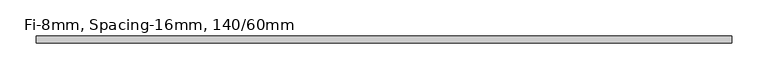
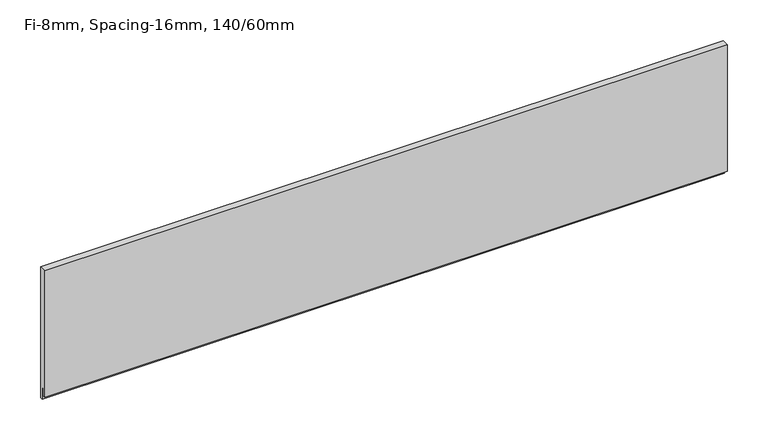
"""IFC4 building model written with IfcOpenShell, lengths in millimetres: plate geometry, Fi-8mm, Spacing-16mm, 140/60mm."""

from ifc_helpers import new_model, si_unit, frame, origin, place, context, project, spatial, polyline, outline, extrude, source, transform, mapped, element, save


def fi_8mm_spacing_16mm_140_60mm_a72e1b3f(model_context):
    return source(origin(), model_context, "Body", "SweptSolid", [
        extrude(outline(polyline([(5.0, 189.0), (5.0, -7.0), (2.0, -7.0), (2.0, 11.0), (-1.0, 11.0), (-1.0, 0.0), (-5.0, 0.0), (-5.0, 189.0), (5.0, 189.0)])), frame((-482.25, 0.0, 0.0), z_axis=(1.0, 0.0, 0.0), x_axis=(0.0, 1.0, 0.0)), (0.0, 0.0, 1.0), 964.5),
    ])


if __name__ == "__main__":
    model = new_model("IFC4")
    model_context = context("Model", 3, world=origin())
    ifc_project = project(units=[si_unit("LENGTHUNIT", "METRE", prefix="MILLI")], contexts=[model_context])
    site = spatial("IfcSite", under=ifc_project)
    building = spatial("IfcBuilding", under=site)
    placement = place(None, origin())
    fi_8mm_spacing_16mm_140_60mm_shape = fi_8mm_spacing_16mm_140_60mm_a72e1b3f(model_context)
    element("IfcPlate", 1, ObjectType="Fi-8mm, Spacing-16mm, 140/60mm", at=placement, inside=building, context=model_context, shape_type="MappedRepresentation", body=[
        mapped(fi_8mm_spacing_16mm_140_60mm_shape, transform((0.0, 0.0, 0.0), x_axis=(1.0, 0.0, 0.0), y_axis=(0.0, 1.0, 0.0), z_axis=(0.0, 0.0, 1.0))),
    ])
    save(model, "model.ifc")
